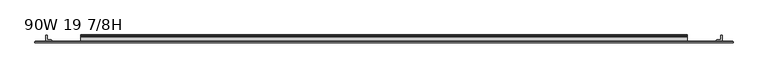
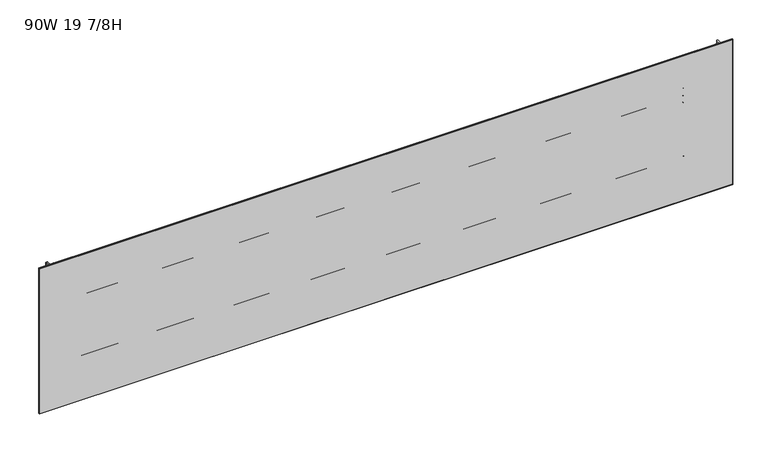
"""IFC4 building model written with IfcOpenShell, lengths in millimetres: furniture geometry, 90W 19 7/8H."""

from ifc_helpers import new_model, si_unit, point, frame, frame_2d, origin, place, context, project, spatial, polyline, circle_curve, trimmed, segment, composite_curve, outline, extrude, faceted_brep, source, transform, mapped, element, save


def furniture_90w_19_7_8h_4efa6266(model_context):
    return source(origin(), model_context, "Body", "SolidModel", [
        extrude(outline(composite_curve([segment(trimmed(circle_curve(frame_2d((-4.6789199, 708.9193441)), 0.5534801), [point((-5.2324, 708.9193441))], [point((-4.6789199, 709.4728242))], False, "CARTESIAN"), True, "CONTINUOUS"), segment(polyline([(-4.6789199, 709.4728242), (-2.6016657, 709.4728242)]), True, "CONTINUOUS"), segment(trimmed(circle_curve(frame_2d((-2.6016657, 710.0170899)), 0.5442657), [point((-2.6016657, 709.4728242))], [point((-2.0574001, 710.0170899))], True, "CARTESIAN"), True, "CONTINUOUS"), segment(polyline([(-2.0574001, 710.0170899), (-2.0574001, 732.3328388)]), True, "CONTINUOUS"), segment(trimmed(circle_curve(frame_2d((0.6637885, 732.1514521)), 2.7272272), [point((-2.0574001, 732.3328388))], [point((1.1176, 734.840657))], False, "CARTESIAN"), True, "CONTINUOUS"), segment(polyline([(1.1176, 734.840657), (1.1176, 703.7260533)]), True, "CONTINUOUS"), segment(trimmed(circle_curve(frame_2d((0.5143951, 703.7260533)), 0.6032049), [point((1.1176, 703.7260533))], [point((0.5143951, 703.1228484))], False, "CARTESIAN"), True, "CONTINUOUS"), segment(polyline([(0.5143951, 703.1228484), (-1.4921701, 703.1228484)]), True, "CONTINUOUS"), segment(trimmed(circle_curve(frame_2d((-1.4921701, 702.5576185)), 0.5652299), [point((-1.4921701, 703.1228484))], [point((-2.0574001, 702.5576185))], True, "CARTESIAN"), True, "CONTINUOUS"), segment(polyline([(-2.0574001, 702.5576185), (-2.0574001, 689.7878339), (-2.3976956, 688.5177806), (-3.3274001, 687.5881135), (-4.5338691, 687.264824)]), True, "CONTINUOUS"), segment(trimmed(circle_curve(frame_2d((-4.677496, 687.8008182)), 0.554904), [point((-4.5338691, 687.264824))], [point((-5.2324, 687.8008182))], False, "CARTESIAN"), True, "CONTINUOUS"), segment(polyline([(-5.2324, 687.8008182), (-5.2324, 708.9193441)]), True, "CONTINUOUS")], self_intersect=False)), frame((152.4, 0.0, 0.0), z_axis=(1.0, 0.0, 0.0), x_axis=(0.0, 1.0, 0.0)), (0.0, 0.0, 1.0), 1981.2),
        extrude(outline(composite_curve([segment(polyline([(-7.1373999, 655.4978484), (-19.4564001, 655.4978484), (-19.4564001, 687.2478), (-2.7946089, 687.2478)]), True, "CONTINUOUS"), segment(trimmed(circle_curve(frame_2d((-2.7946089, 687.9850088)), 0.7372088), [point((-2.7946089, 687.2478))], [point((-2.0574001, 687.9850088))], True, "CARTESIAN"), True, "CONTINUOUS"), segment(polyline([(-2.0574001, 687.9850088), (-2.0574001, 697.6606871)]), True, "CONTINUOUS"), segment(trimmed(circle_curve(frame_2d((0.2069874, 697.6606871)), 2.2643874), [point((-2.0574001, 697.6606871))], [point((-1.8183367, 698.6733632))], False, "CARTESIAN"), True, "CONTINUOUS"), segment(polyline([(-1.8183367, 698.6733632), (-0.1003385, 702.1093121)]), True, "CONTINUOUS"), segment(trimmed(circle_curve(frame_2d((0.4746932, 701.8217922)), 0.6429068), [point((-0.1003385, 702.1093121))], [point((1.1176, 701.8217922))], False, "CARTESIAN"), True, "CONTINUOUS"), segment(polyline([(1.1176, 701.8217922), (1.1176, 683.4656533)]), True, "CONTINUOUS"), segment(trimmed(circle_curve(frame_2d((0.4039455, 683.4656533)), 0.7136544), [point((1.1176, 683.4656533))], [point((0.4039455, 682.7519988))], False, "CARTESIAN"), True, "CONTINUOUS"), segment(polyline([(0.4039455, 682.7519988), (-1.4969277, 682.7519988)]), True, "CONTINUOUS"), segment(trimmed(circle_curve(frame_2d((-1.4969277, 682.1915265)), 0.5604724), [point((-1.4969277, 682.7519988))], [point((-2.0574001, 682.1915265))], True, "CARTESIAN"), True, "CONTINUOUS"), segment(polyline([(-2.0574001, 682.1915265), (-2.0574001, 660.5778436), (-2.7379909, 658.0378097), (-4.5974, 656.1784028), (-7.1373999, 655.4978484)]), True, "CONTINUOUS")], self_intersect=False), holes=[composite_curve([segment(polyline([(-13.0222745, 658.0378097), (-7.2745438, 658.0378097)]), True, "CONTINUOUS"), segment(trimmed(circle_curve(frame_2d((-7.2745438, 660.7149535)), 2.6771438), [point((-7.2745438, 658.0378097))], [point((-4.5974, 660.7149535))], True, "CARTESIAN"), True, "CONTINUOUS"), segment(polyline([(-4.5974, 660.7149535), (-4.5974, 681.8833735)]), True, "CONTINUOUS"), segment(trimmed(circle_curve(frame_2d((-7.4218653, 681.8833735)), 2.8244652), [point((-4.5974, 681.8833735))], [point((-7.4218653, 684.7078388))], True, "CARTESIAN"), True, "CONTINUOUS"), segment(polyline([(-7.4218653, 684.7078388), (-13.189345, 684.7078388)]), True, "CONTINUOUS"), segment(trimmed(circle_curve(frame_2d((-13.189345, 682.1237835)), 2.5840552), [point((-13.189345, 684.7078388))], [point((-15.7734002, 682.1237835))], True, "CARTESIAN"), True, "CONTINUOUS"), segment(polyline([(-15.7734002, 682.1237835), (-15.7734002, 660.7889354)]), True, "CONTINUOUS"), segment(trimmed(circle_curve(frame_2d((-13.0222745, 660.7889354)), 2.7511257), [point((-15.7734002, 660.7889354))], [point((-13.0222745, 658.0378097))], True, "CARTESIAN"), True, "CONTINUOUS")], self_intersect=False)]), frame((152.4, 0.0, 0.0), z_axis=(1.0, 0.0, 0.0), x_axis=(0.0, 1.0, 0.0)), (0.0, 0.0, 1.0), 1981.2),
        extrude(outline(composite_curve([segment(polyline([(-5.2324, 870.7956044), (-5.2324, 891.9141302)]), True, "CONTINUOUS"), segment(trimmed(circle_curve(frame_2d((-4.677496, 891.9141302)), 0.554904), [point((-5.2324, 891.9141302))], [point((-4.5338691, 892.4501245))], False, "CARTESIAN"), True, "CONTINUOUS"), segment(polyline([(-4.5338691, 892.4501245), (-3.3274001, 892.1268349), (-2.3976956, 891.1971678), (-2.0574001, 889.9271145), (-2.0574001, 877.1573299)]), True, "CONTINUOUS"), segment(trimmed(circle_curve(frame_2d((-1.4921701, 877.1573299)), 0.5652299), [point((-2.0574001, 877.1573299))], [point((-1.4921701, 876.5921))], True, "CARTESIAN"), True, "CONTINUOUS"), segment(polyline([(-1.4921701, 876.5921), (0.5143951, 876.5921)]), True, "CONTINUOUS"), segment(trimmed(circle_curve(frame_2d((0.5143951, 875.9888951)), 0.6032049), [point((0.5143951, 876.5921))], [point((1.1176, 875.9888951))], False, "CARTESIAN"), True, "CONTINUOUS"), segment(polyline([(1.1176, 875.9888951), (1.1176, 844.8742914)]), True, "CONTINUOUS"), segment(trimmed(circle_curve(frame_2d((0.6637885, 847.5634964)), 2.7272272), [point((1.1176, 844.8742914))], [point((-2.0574001, 847.3821097))], False, "CARTESIAN"), True, "CONTINUOUS"), segment(polyline([(-2.0574001, 847.3821097), (-2.0574001, 869.6978586)]), True, "CONTINUOUS"), segment(trimmed(circle_curve(frame_2d((-2.6016657, 869.6978586)), 0.5442657), [point((-2.0574001, 869.6978586))], [point((-2.6016657, 870.2421242))], True, "CARTESIAN"), True, "CONTINUOUS"), segment(polyline([(-2.6016657, 870.2421242), (-4.6789199, 870.2421242)]), True, "CONTINUOUS"), segment(trimmed(circle_curve(frame_2d((-4.6789199, 870.7956044)), 0.5534801), [point((-4.6789199, 870.2421242))], [point((-5.2324, 870.7956044))], False, "CARTESIAN"), True, "CONTINUOUS")], self_intersect=False)), frame((152.4, 0.0, 0.0), z_axis=(1.0, 0.0, 0.0), x_axis=(0.0, 1.0, 0.0)), (0.0, 0.0, 1.0), 1981.2),
        extrude(outline(composite_curve([segment(polyline([(-7.1373999, 924.2171), (-4.5974, 923.5365456), (-2.7379909, 921.6771388), (-2.0574001, 919.1371048), (-2.0574001, 897.523422)]), True, "CONTINUOUS"), segment(trimmed(circle_curve(frame_2d((-1.4969277, 897.523422)), 0.5604724), [point((-2.0574001, 897.523422))], [point((-1.4969277, 896.9629496))], True, "CARTESIAN"), True, "CONTINUOUS"), segment(polyline([(-1.4969277, 896.9629496), (0.4039455, 896.9629496)]), True, "CONTINUOUS"), segment(trimmed(circle_curve(frame_2d((0.4039455, 896.2492952)), 0.7136544), [point((0.4039455, 896.9629496))], [point((1.1176, 896.2492952))], False, "CARTESIAN"), True, "CONTINUOUS"), segment(polyline([(1.1176, 896.2492952), (1.1176, 877.8931562)]), True, "CONTINUOUS"), segment(trimmed(circle_curve(frame_2d((0.4746932, 877.8931562)), 0.6429068), [point((1.1176, 877.8931562))], [point((-0.1003385, 877.6056364))], False, "CARTESIAN"), True, "CONTINUOUS"), segment(polyline([(-0.1003385, 877.6056364), (-1.8183367, 881.0415852)]), True, "CONTINUOUS"), segment(trimmed(circle_curve(frame_2d((0.2069874, 882.0542613)), 2.2643874), [point((-1.8183367, 881.0415852))], [point((-2.0574001, 882.0542613))], False, "CARTESIAN"), True, "CONTINUOUS"), segment(polyline([(-2.0574001, 882.0542613), (-2.0574001, 891.7299396)]), True, "CONTINUOUS"), segment(trimmed(circle_curve(frame_2d((-2.7946089, 891.7299396)), 0.7372088), [point((-2.0574001, 891.7299396))], [point((-2.7946089, 892.4671484))], True, "CARTESIAN"), True, "CONTINUOUS"), segment(polyline([(-2.7946089, 892.4671484), (-19.4564001, 892.4671484), (-19.4564001, 924.2171), (-7.1373999, 924.2171)]), True, "CONTINUOUS")], self_intersect=False), holes=[composite_curve([segment(trimmed(circle_curve(frame_2d((-13.0222745, 918.926013)), 2.7511257), [point((-13.0222745, 921.6771388))], [point((-15.7734002, 918.926013))], True, "CARTESIAN"), True, "CONTINUOUS"), segment(polyline([(-15.7734002, 918.926013), (-15.7734002, 897.5911649)]), True, "CONTINUOUS"), segment(trimmed(circle_curve(frame_2d((-13.189345, 897.5911649)), 2.5840552), [point((-15.7734002, 897.5911649))], [point((-13.189345, 895.0071097))], True, "CARTESIAN"), True, "CONTINUOUS"), segment(polyline([(-13.189345, 895.0071097), (-7.4218653, 895.0071097)]), True, "CONTINUOUS"), segment(trimmed(circle_curve(frame_2d((-7.4218653, 897.8315749)), 2.8244652), [point((-7.4218653, 895.0071097))], [point((-4.5974, 897.8315749))], True, "CARTESIAN"), True, "CONTINUOUS"), segment(polyline([(-4.5974, 897.8315749), (-4.5974, 918.999995)]), True, "CONTINUOUS"), segment(trimmed(circle_curve(frame_2d((-7.2745438, 918.999995)), 2.6771438), [point((-4.5974, 918.999995))], [point((-7.2745438, 921.6771388))], True, "CARTESIAN"), True, "CONTINUOUS"), segment(polyline([(-7.2745438, 921.6771388), (-13.0222745, 921.6771388)]), True, "CONTINUOUS")], self_intersect=False)]), frame((152.4, 0.0, 0.0), z_axis=(1.0, 0.0, 0.0), x_axis=(0.0, 1.0, 0.0)), (0.0, 0.0, 1.0), 1981.2),
        extrude(outline(composite_curve([segment(trimmed(circle_curve(frame_2d((2247.3524764, -18.9088765)), 0.5475236), [point((2247.9, -18.9088765))], [point((2247.3524764, -19.4564001))], False, "CARTESIAN"), True, "CONTINUOUS"), segment(polyline([(2247.3524764, -19.4564001), (2229.4113866, -19.4564001)]), True, "CONTINUOUS"), segment(trimmed(circle_curve(frame_2d((2229.4113866, -18.8950135)), 0.5613866), [point((2229.4113866, -19.4564001))], [point((2228.85, -18.8950135))], False, "CARTESIAN"), True, "CONTINUOUS"), segment(polyline([(2228.85, -18.8950135), (2228.85, -16.8669745)]), True, "CONTINUOUS"), segment(trimmed(circle_curve(frame_2d((2231.4294745, -16.8669745)), 2.5794745), [point((2228.85, -16.8669745))], [point((2231.4294745, -14.2875))], False, "CARTESIAN"), True, "CONTINUOUS"), segment(polyline([(2231.4294745, -14.2875), (2242.4787912, -14.2875)]), True, "CONTINUOUS"), segment(trimmed(circle_curve(frame_2d((2242.4787912, -13.6414903)), 0.6460097), [point((2242.4787912, -14.2875))], [point((2243.1248009, -13.6414903))], True, "CARTESIAN"), True, "CONTINUOUS"), segment(polyline([(2243.1248009, -13.6414903), (2243.1248009, -2.768893)]), True, "CONTINUOUS"), segment(trimmed(circle_curve(frame_2d((2245.8936939, -2.768893)), 2.768893), [point((2243.1248009, -2.768893))], [point((2245.8936939, 0.0))], False, "CARTESIAN"), True, "CONTINUOUS"), segment(polyline([(2245.8936939, 0.0), (2247.3082199, 0.0)]), True, "CONTINUOUS"), segment(trimmed(circle_curve(frame_2d((2247.3082199, -0.5917801)), 0.5917801), [point((2247.3082199, 0.0))], [point((2247.9, -0.5917801))], False, "CARTESIAN"), True, "CONTINUOUS"), segment(polyline([(2247.9, -0.5917801), (2247.9, -18.9088765)]), True, "CONTINUOUS")], self_intersect=False)), frame((0.0, 0.0, 549.5798), z_axis=(0.0, 0.0, 1.0), x_axis=(1.0, 0.0, 0.0)), (0.0, 0.0, 1.0), 495.2873),
        extrude(outline(composite_curve([segment(polyline([(38.1, -18.9088765), (38.1, -0.5917801)]), True, "CONTINUOUS"), segment(trimmed(circle_curve(frame_2d((38.6917801, -0.5917801)), 0.5917801), [point((38.1, -0.5917801))], [point((38.6917801, 0.0))], False, "CARTESIAN"), True, "CONTINUOUS"), segment(polyline([(38.6917801, 0.0), (40.1063061, 0.0)]), True, "CONTINUOUS"), segment(trimmed(circle_curve(frame_2d((40.1063061, -2.768893)), 2.768893), [point((40.1063061, 0.0))], [point((42.8751991, -2.768893))], False, "CARTESIAN"), True, "CONTINUOUS"), segment(polyline([(42.8751991, -2.768893), (42.8751991, -13.6414903)]), True, "CONTINUOUS"), segment(trimmed(circle_curve(frame_2d((43.5212088, -13.6414903)), 0.6460097), [point((42.8751991, -13.6414903))], [point((43.5212088, -14.2875))], True, "CARTESIAN"), True, "CONTINUOUS"), segment(polyline([(43.5212088, -14.2875), (54.5705255, -14.2875)]), True, "CONTINUOUS"), segment(trimmed(circle_curve(frame_2d((54.5705255, -16.8669745)), 2.5794745), [point((54.5705255, -14.2875))], [point((57.15, -16.8669745))], False, "CARTESIAN"), True, "CONTINUOUS"), segment(polyline([(57.15, -16.8669745), (57.15, -18.8950135)]), True, "CONTINUOUS"), segment(trimmed(circle_curve(frame_2d((56.5886134, -18.8950135)), 0.5613866), [point((57.15, -18.8950135))], [point((56.5886134, -19.4564001))], False, "CARTESIAN"), True, "CONTINUOUS"), segment(polyline([(56.5886134, -19.4564001), (38.6475236, -19.4564001)]), True, "CONTINUOUS"), segment(trimmed(circle_curve(frame_2d((38.6475236, -18.9088765)), 0.5475236), [point((38.6475236, -19.4564001))], [point((38.1, -18.9088765))], False, "CARTESIAN"), True, "CONTINUOUS")], self_intersect=False)), frame((0.0, 0.0, 549.5798), z_axis=(0.0, 0.0, 1.0), x_axis=(1.0, 0.0, 0.0)), (0.0, 0.0, 1.0), 495.2873),
        extrude(outline(polyline([(2278.6975002, -20.0634601), (7.3024998, -20.0634601), (7.3024998, -19.4564001), (2278.6975002, -19.4564001), (2278.6975002, -20.0634601)])), frame((0.0, 0.0, 549.5798), z_axis=(0.0, 0.0, 1.0), x_axis=(1.0, 0.0, 0.0)), (0.0, 0.0, 1.0), 495.2873),
        faceted_brep([(2283.4600024, -24.0512595, 1049.6296), (2283.4600024, -20.8508598, 1049.6296), (2.5400001, -20.8508598, 1049.6296), (2.5400001, -24.0512595, 1049.6296), (2.5400001, -24.0512595, 544.8046), (2.5400001, -20.8508598, 544.8046), (2283.4600024, -20.8508598, 544.8046), (2283.4600024, -24.0512595, 544.8046), (3.3274521, -24.8386592, 1048.8421481), (3.3274521, -24.8386592, 545.5920519), (2282.6725505, -24.8386592, 545.5920519), (2282.6725505, -24.8386592, 1048.8421481), (3.3274521, -20.0634601, 545.5920519), (3.3274521, -20.0634601, 1048.8421481), (2282.6725505, -20.0634601, 1048.8421481), (2282.6725505, -20.0634601, 545.5920519)], [[[0, 1, 2, 3]], [[4, 5, 6, 7]], [[8, 9, 10, 11]], [[1, 0, 7, 6]], [[12, 13, 14, 15]], [[3, 2, 5, 4]], [[12, 5, 2, 13]], [[4, 9, 8, 3]], [[5, 12, 15, 6]], [[9, 4, 7, 10]], [[6, 15, 14, 1]], [[10, 7, 0, 11]], [[13, 2, 1, 14]], [[3, 8, 11, 0]]]),
    ])


if __name__ == "__main__":
    model = new_model("IFC4")
    model_context = context("Model", 3, world=origin())
    ifc_project = project(units=[si_unit("LENGTHUNIT", "METRE", prefix="MILLI")], contexts=[model_context])
    site = spatial("IfcSite", under=ifc_project)
    building = spatial("IfcBuilding", under=site)
    placement = place(None, origin())
    furniture_90w_19_7_8h_shape = furniture_90w_19_7_8h_4efa6266(model_context)
    element("IfcFurniture", 1, ObjectType="90W 19 7/8H", at=placement, inside=building, context=model_context, shape_type="MappedRepresentation", body=[
        mapped(furniture_90w_19_7_8h_shape, transform((0.0, 0.0, 0.0), x_axis=(1.0, 0.0, 0.0), y_axis=(0.0, 1.0, 0.0), z_axis=(0.0, 0.0, 1.0))),
    ])
    save(model, "model.ifc")
